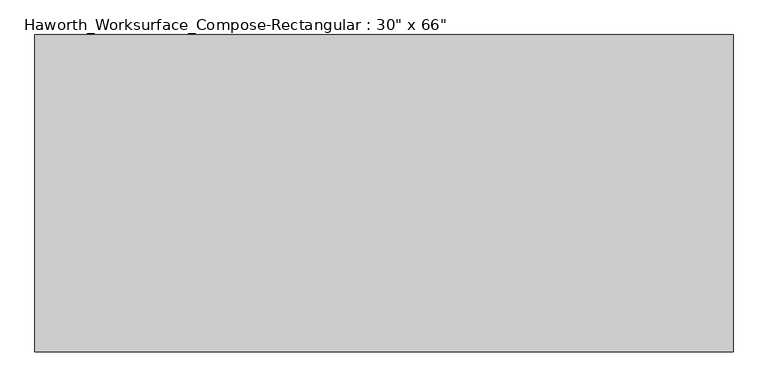
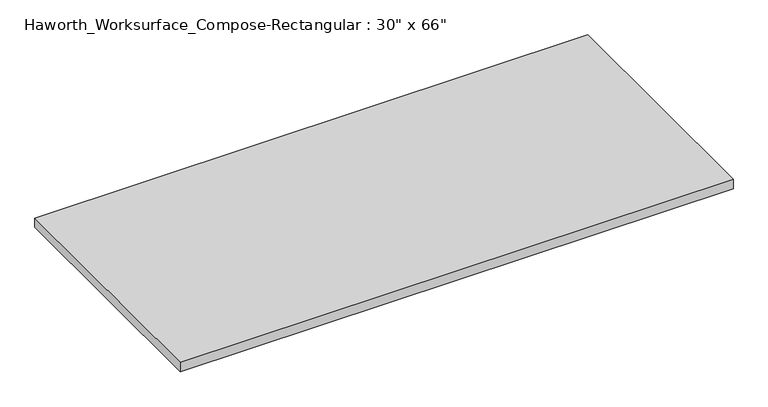
"""IFC4 building model written with IfcOpenShell, lengths in millimetres: furniture geometry."""

from ifc_helpers import new_model, si_unit, frame, origin, place, context, project, spatial, polyline, outline, extrude, source, transform, mapped, element, save


def furniture_8626aa36(model_context):
    return source(origin(), model_context, "Body", "SweptSolid", [
        extrude(outline(polyline([(838.2, 381.0), (838.2, -381.0), (-838.2, -381.0), (-838.2, 381.0), (838.2, 381.0)])), frame((0.0, 0.0, 706.4375), z_axis=(0.0, 0.0, 1.0), x_axis=(1.0, 0.0, 0.0)), (0.0, 0.0, 1.0), 30.1625),
    ])


if __name__ == "__main__":
    model = new_model("IFC4")
    model_context = context("Model", 3, world=origin())
    ifc_project = project(units=[si_unit("LENGTHUNIT", "METRE", prefix="MILLI")], contexts=[model_context])
    site = spatial("IfcSite", under=ifc_project)
    building = spatial("IfcBuilding", under=site)
    placement = place(None, origin())
    furniture_shape = furniture_8626aa36(model_context)
    element("IfcFurniture", 1, ObjectType="Haworth_Worksurface_Compose-Rectangular : 30\" x 66\"", at=placement, inside=building, context=model_context, shape_type="MappedRepresentation", body=[
        mapped(furniture_shape, transform((0.0, 0.0, 0.0), x_axis=(1.0, 0.0, 0.0), y_axis=(0.0, 1.0, 0.0), z_axis=(0.0, 0.0, 1.0))),
    ])
    save(model, "model.ifc")
